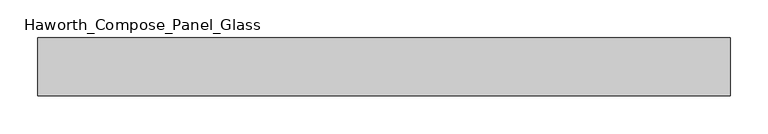
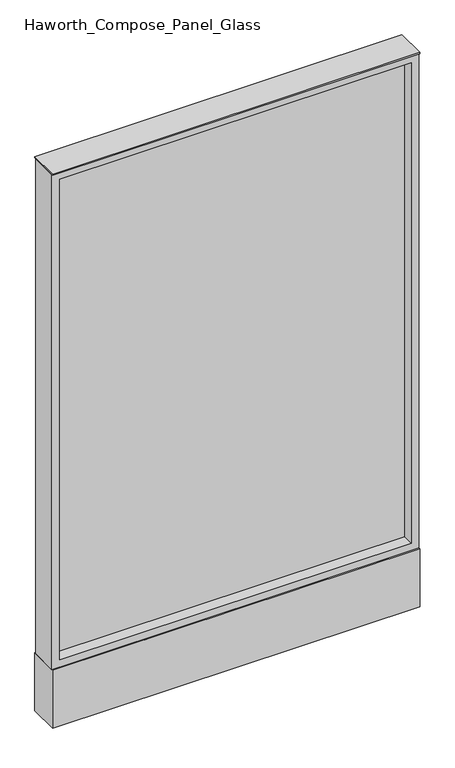
"""IFC4 building model written with IfcOpenShell, lengths in millimetres: furniture geometry, Haworth_Compose_Panel_Glass."""

from ifc_helpers import new_model, si_unit, point, frame, frame_2d, origin, origin_with_axes, place, context, project, spatial, polyline, circle_curve, trimmed, segment, composite_curve, outline, extrude, source, transform, mapped, element, save


def haworth_compose_panel_glass_a23c767b(model_context):
    return source(origin(), model_context, "Body", "SweptSolid", [
        extrude(outline(composite_curve([segment(trimmed(circle_curve(frame_2d((383.4402902, 0.0)), 12.7), [point((370.7402902, 0.0))], [point((396.1402902, 0.0))], False, "CARTESIAN"), True, "CONTINUOUS"), segment(trimmed(circle_curve(frame_2d((383.4402902, 0.0)), 12.7), [point((396.1402902, 0.0))], [point((370.7402902, 0.0))], False, "CARTESIAN"), True, "CONTINUOUS")], self_intersect=False)), origin_with_axes(), (0.0, 0.0, 1.0), 12.7),
        extrude(outline(composite_curve([segment(trimmed(circle_curve(frame_2d((-378.5597098, 0.0)), 12.7), [point((-391.2597098, 0.0))], [point((-365.8597098, 0.0))], False, "CARTESIAN"), True, "CONTINUOUS"), segment(trimmed(circle_curve(frame_2d((-378.5597098, 0.0)), 12.7), [point((-365.8597098, 0.0))], [point((-391.2597098, 0.0))], False, "CARTESIAN"), True, "CONTINUOUS")], self_intersect=False)), origin_with_axes(), (0.0, 0.0, 1.0), 12.7),
        extrude(outline(polyline([(440.5902902, -6.35), (-435.7097098, -6.35), (-435.7097098, 6.35), (440.5902902, 6.35), (440.5902902, -6.35)])), frame((0.0, 0.0, 184.15), z_axis=(0.0, 0.0, 1.0), x_axis=(1.0, 0.0, 0.0)), (0.0, 0.0, 1.0), 1263.65),
        extrude(outline(polyline([(1466.85, -454.7597098), (165.1, -454.7597098), (165.1, 459.6402902), (1466.85, 459.6402902), (1466.85, -454.7597098)]), holes=[polyline([(1447.8, 440.5902902), (184.15, 440.5902902), (184.15, -435.7097098), (1447.8, -435.7097098), (1447.8, 440.5902902)])]), frame((0.0, -34.925, 0.0), z_axis=(0.0, 1.0, 0.0), x_axis=(0.0, 0.0, 1.0)), (0.0, 0.0, 1.0), 69.85),
        extrude(outline(polyline([(-454.7597098, 38.1), (459.6402902, 38.1), (459.6402902, -38.1), (-454.7597098, -38.1), (-454.7597098, 38.1)])), frame((0.0, 0.0, 12.7), z_axis=(0.0, 0.0, 1.0), x_axis=(1.0, 0.0, 0.0)), (0.0, 0.0, 1.0), 152.4),
        extrude(outline(polyline([(-454.7597098, -38.1), (-454.7597098, 38.1), (459.6402902, 38.1), (459.6402902, -38.1), (-454.7597098, -38.1)])), frame((0.0, 0.0, 1466.85), z_axis=(0.0, 0.0, 1.0), x_axis=(1.0, 0.0, 0.0)), (0.0, 0.0, 1.0), 3.175),
    ])


if __name__ == "__main__":
    model = new_model("IFC4")
    model_context = context("Model", 3, world=origin())
    ifc_project = project(units=[si_unit("LENGTHUNIT", "METRE", prefix="MILLI")], contexts=[model_context])
    site = spatial("IfcSite", under=ifc_project)
    building = spatial("IfcBuilding", under=site)
    placement = place(None, origin())
    haworth_compose_panel_glass_shape = haworth_compose_panel_glass_a23c767b(model_context)
    element("IfcFurniture", 1, ObjectType="Haworth_Compose_Panel_Glass", at=placement, inside=building, context=model_context, shape_type="MappedRepresentation", body=[
        mapped(haworth_compose_panel_glass_shape, transform((0.0, 0.0, 0.0), x_axis=(1.0, 0.0, 0.0), y_axis=(0.0, 1.0, 0.0), z_axis=(0.0, 0.0, 1.0))),
    ])
    save(model, "model.ifc")
